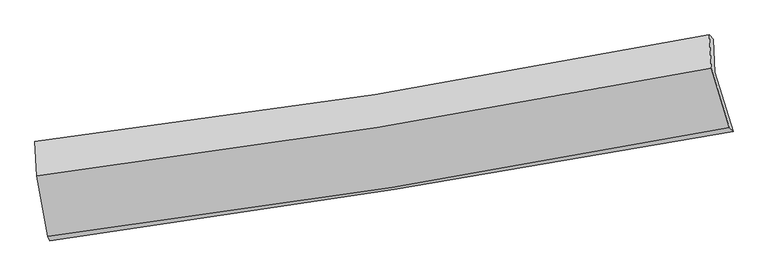
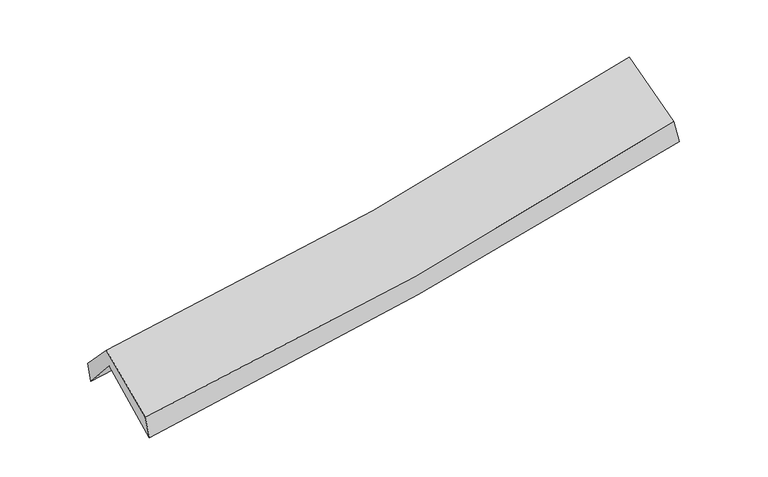
"""IFC4 building model written with IfcOpenShell, lengths in millimetres: proxy geometry."""

from ifc_helpers import new_model, si_unit, frame, origin, place, context, project, spatial, source, transform, mapped, element, save
from ifc_brep_helpers import plane_surface, spline_curve, spline_surface, advanced_brep


def generic_models_33729db7(model_context):
    return source(origin(), model_context, "Body", "AdvancedBrep", [
        advanced_brep(
        [(-2656.025798, -2504.6400016, 1462.742396), (-2746.9372216, -2011.8822528, 1905.4080379), (2666.7834312, -1152.3147847, 2376.5050699), (2813.8481964, -1628.8973796, 1952.1032908), (-2760.8850692, -1734.4333221, 1589.386615), (2653.0749516, -888.1844586, 2075.6248113), (-2775.1907998, -1709.1300982, 1758.4032309), (2623.0695206, -853.5617249, 2259.2366187), (-2759.8010877, -1985.6701009, 2050.8098107), (2639.5587411, -1119.3962567, 2540.7695575), (-2672.6950489, -2468.175602, 1646.4050969), (2783.6382483, -1595.4665849, 2139.1792075)],
        [
            (0, 1),
            (1, 2, spline_curve(3, [(-2746.9372216, -2011.8822528, 1905.4080379), (-1832.973034965, -1895.015277274, 1954.083284351), (-922.396752999, -1764.484733504, 2017.976705059), (882.103431086, -1477.666353051, 2175.338606096), (1776.100700146, -1321.674407295, 2268.477529365), (2666.7834312, -1152.3147847, 2376.5050699)], [4, 2, 4], [0.0, 9.125687300324277, 18.152023137887554])),
            (2, 3),
            (3, 0, spline_curve(3, [(2813.8481964, -1628.8973796, 1952.1032908), (1913.059634201, -1793.720360086, 1845.352605202), (1009.353432199, -1948.764784246, 1751.350230061), (-813.87331802, -2240.895438375, 1587.947750195), (-1733.458447231, -2377.76522155, 1518.829826824), (-2656.025798, -2504.6400016, 1462.742396)], [4, 2, 4], [0.0, 9.026335837563277, 18.152023137887554])),
            (1, 4),
            (4, 5, spline_curve(3, [(-2760.8850692, -1734.4333221, 1589.386615), (-1846.882358988, -1619.854261389, 1640.636494597), (-936.266754215, -1491.583480404, 1707.085799421), (868.313236496, -1209.204024984, 1869.494349113), (1762.350972198, -1055.391851491, 1965.124443131), (2653.0749516, -888.1844586, 2075.6248113)], [4, 2, 4], [0.0, 9.076812167215474, 18.054804975807116])),
            (5, 2),
            (4, 6),
            (6, 7, spline_curve(3, [(-2775.1907998, -1709.1300982, 1758.4032309), (-1862.26077979, -1601.446665067, 1811.876041967), (-953.501253963, -1475.819676634, 1880.660345598), (845.82853895, -1190.241642136, 2047.9363861), (1736.489119649, -1030.679173047, 2146.096545019), (2623.0695206, -853.5617249, 2259.2366187)], [4, 2, 4], [0.0, 9.066348732980657, 18.033992022866528])),
            (7, 5),
            (6, 8),
            (8, 9, spline_curve(3, [(-2759.8010877, -1985.6701009, 2050.8098107), (-1846.85302817, -1872.87003128, 2098.933199883), (-937.991900182, -1743.796811688, 2164.141349032), (861.706204886, -1454.686460509, 2327.831243518), (1752.631686519, -1295.001732018, 2425.943009882), (2639.5587411, -1119.3962567, 2540.7695575)], [4, 2, 4], [0.0, 9.057826721660835, 18.01704077946229])),
            (9, 7),
            (8, 10),
            (10, 11, spline_curve(3, [(-2672.6950489, -2468.175602, 1646.4050969), (-1749.899963071, -2353.381322457, 1695.608091594), (-831.342366763, -2222.774304817, 1761.59019375), (987.343634222, -1931.528866353, 1926.21159021), (1887.563803419, -1771.232878574, 2024.487525055), (2783.6382483, -1595.4665849, 2139.1792075)], [4, 2, 4], [0.0, 9.106469094430857, 18.113795954929657])),
            (11, 9),
            (10, 0),
            (3, 11),
        ],
        [
            spline_surface(3, 3, [[(-2656.025798, -2504.6400016, 1462.742396), (-1733.45844728, -2377.765221519, 1518.829826962), (-813.873317908, -2240.895438363, 1587.94775011), (1009.353432087, -1948.764784258, 1751.350230146), (1913.059634164, -1793.720360123, 1845.35260527), (2813.8481964, -1628.8973796, 1952.1032908)], [(-2686.32960584, -2340.387418654, 1610.29760995), (-1766.6299765, -2216.848573431, 1663.914312732), (-850.047796314, -2082.091870126, 1731.290735057), (966.936765068, -1791.731973818, 1892.679688794), (1867.406656143, -1636.371709161, 1986.394246663), (2764.826607996, -1470.03651464, 2093.570550514)], [(-2716.63341376, -2176.134835746, 1757.85282395), (-1799.801505801, -2055.931925383, 1808.998798552), (-886.222274628, -1923.288301873, 1874.633720059), (924.52009814, -1634.699163361, 2034.009147499), (1821.753678133, -1479.023058179, 2127.435888013), (2715.805019604, -1311.17564966, 2235.037810186)], [(-2746.9372216, -2011.8822528, 1905.4080379), (-1832.973035021, -1895.015277295, 1954.083284322), (-922.396753034, -1764.484733635, 2017.976705007), (882.103431121, -1477.666352921, 2175.338606147), (1776.100700111, -1321.674407217, 2268.477529406), (2666.7834312, -1152.3147847, 2376.5050699)]], [4, 4], [4, 2, 4], [0.0, 2.1280216100382936], [0.0, 9.125687300324277, 18.152023137887554]),
            spline_surface(3, 3, [[(-2746.9372216, -2011.8822528, 1905.4080379), (-1832.973035021, -1895.015277295, 1954.083284322), (-922.396753034, -1764.484733635, 2017.976705007), (882.103431121, -1477.666352921, 2175.338606147), (1776.100700111, -1321.674407217, 2268.477529406), (2666.7834312, -1152.3147847, 2376.5050699)], [(-2751.586504149, -1919.39927591, 1800.067563615), (-1837.609476329, -1803.294938704, 1849.601021061), (-927.020086766, -1673.517649258, 1914.346403137), (877.506699611, -1388.178910279, 2073.390520516), (1771.517457478, -1232.913555314, 2167.359833963), (2662.213938011, -1064.271342667, 2276.211650349)], [(-2756.235786651, -1826.91629899, 1694.727089285), (-1842.245917589, -1711.574600083, 1745.118757755), (-931.643420537, -1582.550564826, 1810.716101208), (872.909968061, -1298.691467582, 1971.442434826), (1766.934214811, -1144.15270341, 2066.242138572), (2657.644444789, -976.227900633, 2175.918230851)], [(-2760.8850692, -1734.4333221, 1589.386615), (-1846.882358897, -1619.854261491, 1640.636494495), (-936.266754269, -1491.583480449, 1707.085799338), (868.31323655, -1209.20402494, 1869.494349195), (1762.350972178, -1055.391851506, 1965.124443129), (2653.0749516, -888.1844586, 2075.6248113)]], [4, 4], [4, 2, 4], [0.0, 1.347066166038052], [0.0, 9.076812167215474, 18.054804975807116]),
            spline_surface(3, 3, [[(-2760.8850692, -1734.4333221, 1589.386615), (-1846.882358897, -1619.854261491, 1640.636494495), (-936.266754269, -1491.583480449, 1707.085799338), (868.31323655, -1209.20402494, 1869.494349195), (1762.350972178, -1055.391851506, 1965.124443129), (2653.0749516, -888.1844586, 2075.6248113)], [(-2765.653646052, -1725.99891413, 1645.725486948), (-1852.008499191, -1613.71839606, 1697.716343635), (-942.011587453, -1486.328879151, 1764.943981405), (860.818337322, -1202.883230694, 1928.975028172), (1753.730354684, -1047.154292045, 2025.448477132), (2643.073141279, -876.643547387, 2136.828747106)], [(-2770.422222948, -1717.56450617, 1702.064358952), (-1857.134639527, -1607.582530639, 1754.796192832), (-947.756420665, -1481.074277859, 1822.802163488), (853.323438066, -1196.562436454, 1988.455707166), (1745.109737154, -1038.916732525, 2085.772511116), (2633.071330921, -865.102636113, 2198.032682894)], [(-2775.1907998, -1709.1300982, 1758.4032309), (-1862.26077982, -1601.446665207, 1811.876041973), (-953.501253849, -1475.819676561, 1880.660345555), (845.828538838, -1190.241642208, 2047.936386142), (1736.48911966, -1030.679173064, 2146.096545119), (2623.0695206, -853.5617249, 2259.2366187)]], [4, 4], [4, 2, 4], [0.0, 0.583802326324337], [0.0, 9.066348732980657, 18.033992022866528]),
            spline_surface(3, 3, [[(-2775.1907998, -1709.1300982, 1758.4032309), (-1862.26077982, -1601.446665207, 1811.876041973), (-953.501253849, -1475.819676561, 1880.660345555), (845.828538838, -1190.241642208, 2047.936386142), (1736.48911966, -1030.679173064, 2146.096545119), (2623.0695206, -853.5617249, 2259.2366187)], [(-2770.060895765, -1801.31009911, 1855.872090841), (-1857.124862564, -1691.921120545, 1907.561761266), (-948.331469293, -1565.145388256, 1975.154013352), (851.121094188, -1278.389914953, 2141.234671934), (1741.869975311, -1118.786692679, 2239.378700073), (2628.565927437, -942.173235493, 2353.080931639)], [(-2764.930991735, -1893.49009999, 1953.340950759), (-1851.988945312, -1782.395575851, 2003.247480536), (-943.161684739, -1654.471100006, 2069.647681192), (856.413649537, -1366.538187753, 2234.532957769), (1747.250830953, -1206.894212315, 2332.66085501), (2634.062334263, -1030.784746107, 2446.925244561)], [(-2759.8010877, -1985.6701009, 2050.8098107), (-1846.853028056, -1872.870031189, 2098.933199829), (-937.991900183, -1743.796811701, 2164.141348989), (861.706204887, -1454.686460497, 2327.83124356), (1752.631686604, -1295.00173193, 2425.943009964), (2639.5587411, -1119.3962567, 2540.7695575)]], [4, 4], [4, 2, 4], [0.0, 1.272712678028793], [0.0, 9.057826721660835, 18.01704077946229]),
            spline_surface(3, 3, [[(-2759.8010877, -1985.6701009, 2050.8098107), (-1846.853028056, -1872.870031189, 2098.933199829), (-937.991900183, -1743.796811701, 2164.141348989), (861.706204887, -1454.686460497, 2327.83124356), (1752.631686604, -1295.00173193, 2425.943009964), (2639.5587411, -1119.3962567, 2540.7695575)], [(-2730.765741434, -2146.505267924, 1916.008239445), (-1814.535339755, -2033.040461627, 1964.491497083), (-902.442055684, -1903.455976083, 2029.957630546), (903.585347959, -1613.633929154, 2193.958025847), (1797.60905885, -1453.745447437, 2292.124515031), (2687.585243483, -1278.086366107, 2406.906107494)], [(-2701.730395166, -2307.340434976, 1781.206668155), (-1782.217651451, -2193.210892092, 1830.049794301), (-866.892211163, -2063.115140393, 1895.773912042), (945.464491054, -1772.581397738, 2060.084808074), (1842.586431149, -1612.489162922, 2158.306020115), (2735.611745917, -1436.776475493, 2273.042657506)], [(-2672.6950489, -2468.175602, 1646.4050969), (-1749.899963151, -2353.381322529, 1695.608091555), (-831.342366664, -2222.774304775, 1761.590193599), (987.343634125, -1931.528866395, 1926.21159036), (1887.563803395, -1771.232878429, 2024.487525182), (2783.6382483, -1595.4665849, 2139.1792075)]], [4, 4], [4, 2, 4], [0.0, 2.0841755850623223], [0.0, 9.106469094430857, 18.113795954929657]),
            spline_surface(3, 3, [[(-2672.6950489, -2468.175602, 1646.4050969), (-1749.899963151, -2353.381322529, 1695.608091555), (-831.342366664, -2222.774304775, 1761.590193599), (987.343634125, -1931.528866395, 1926.21159036), (1887.563803395, -1771.232878429, 2024.487525182), (2783.6382483, -1595.4665849, 2139.1792075)], [(-2667.138631959, -2480.330401872, 1585.184196601), (-1744.419457886, -2361.509288865, 1636.682003359), (-825.519350397, -2228.81468261, 1703.709379102), (994.680233461, -1937.274172322, 1867.924470288), (1896.062413646, -1778.728705634, 1964.775885209), (2793.708230995, -1606.610183107, 2076.820568598)], [(-2661.582214941, -2492.485201728, 1523.963296299), (-1738.938952544, -2369.637255184, 1577.755915158), (-819.696334175, -2234.855060528, 1645.828564607), (1002.016832751, -1943.019478331, 1809.637350218), (1904.561023913, -1786.224532918, 1905.064245243), (2803.778213705, -1617.753781393, 2014.461929702)], [(-2656.025798, -2504.6400016, 1462.742396), (-1733.45844728, -2377.765221519, 1518.829826962), (-813.873317908, -2240.895438363, 1587.94775011), (1009.353432087, -1948.764784258, 1751.350230146), (1913.059634164, -1793.720360123, 1845.35260527), (2813.8481964, -1628.8973796, 1952.1032908)]], [4, 4], [4, 2, 4], [0.0, 0.5782372582547421], [0.0, 9.163839054426392, 18.22791128750539]),
            plane_surface(frame((2696.6621815, -1206.3035316, 2223.9030926), z_axis=(0.97386405111397, 0.1908408356482344, 0.12316081112500997), x_axis=(0.22537839961432138, -0.7446997203319747, -0.6281933647570356))),
            plane_surface(frame((-2728.5891709, -2068.9885629, 1735.5258646), z_axis=(-0.9901265377060283, -0.12407437022512607, -0.06523028425134486), x_axis=(-0.08867186771998038, 0.19397190992734012, 0.9769914012079074))),
        ],
        [
            (0, [[1, 2, 3, 4]]),
            (1, [[5, 6, 7, -2]]),
            (2, [[8, 9, 10, -6]]),
            (3, [[11, 12, 13, -9]]),
            (4, [[14, 15, 16, -12]]),
            (5, [[17, -4, 18, -15]]),
            (6, [[-16, -18, -3, -7, -10, -13]]),
            (7, [[-17, -14, -11, -8, -5, -1]]),
        ],
    ),
    ])


if __name__ == "__main__":
    model = new_model("IFC4")
    model_context = context("Model", 3, world=origin())
    ifc_project = project(units=[si_unit("LENGTHUNIT", "METRE", prefix="MILLI")], contexts=[model_context])
    site = spatial("IfcSite", under=ifc_project)
    building = spatial("IfcBuilding", under=site)
    placement = place(None, origin())
    generic_models_shape = generic_models_33729db7(model_context)
    element("IfcBuildingElementProxy", 1, Name="Generic Models", at=placement, inside=building, context=model_context, shape_type="MappedRepresentation", body=[
        mapped(generic_models_shape, transform((0.0, 0.0, 0.0), x_axis=(1.0, 0.0, 0.0), y_axis=(0.0, 1.0, 0.0), z_axis=(0.0, 0.0, 1.0))),
    ])
    save(model, "model.ifc")
